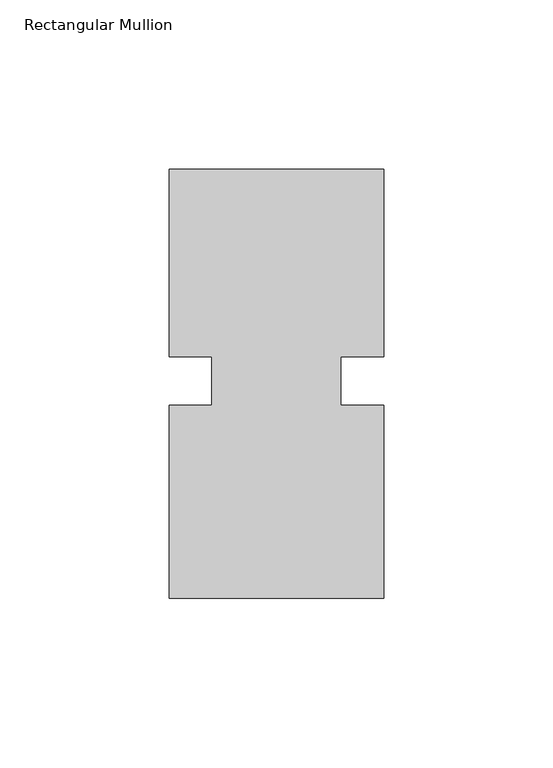
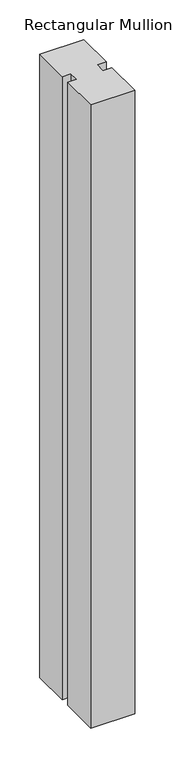
"""IFC4 building model written with IfcOpenShell, lengths in millimetres: member geometry, Rectangular Mullion."""

from ifc_helpers import new_model, si_unit, frame, origin, place, context, project, spatial, polyline, outline, extrude, source, transform, mapped, element, save


def rectangular_mullion_ac06d126(model_context):
    return source(origin(), model_context, "Body", "SweptSolid", [
        extrude(outline(polyline([(36.0844027, 62.70625), (36.0844027, 7.14375), (23.3826322, 7.14375), (23.3826322, -7.14375), (36.0844027, -7.14375), (36.0844027, -64.29375), (-27.4155973, -64.29375), (-27.4155973, -7.14375), (-14.7155973, -7.14375), (-14.7155973, 7.14375), (-27.4155973, 7.14375), (-27.4155973, 62.70625), (36.0844027, 62.70625)])), frame((0.0, 0.0, -952.5), z_axis=(0.0, 0.0, 1.0), x_axis=(1.0, 0.0, 0.0)), (0.0, 0.0, 1.0), 952.5),
    ])


if __name__ == "__main__":
    model = new_model("IFC4")
    model_context = context("Model", 3, world=origin())
    ifc_project = project(units=[si_unit("LENGTHUNIT", "METRE", prefix="MILLI")], contexts=[model_context])
    site = spatial("IfcSite", under=ifc_project)
    building = spatial("IfcBuilding", under=site)
    placement = place(None, origin())
    rectangular_mullion_shape = rectangular_mullion_ac06d126(model_context)
    element("IfcMember", 1, ObjectType="Rectangular Mullion", at=placement, inside=building, context=model_context, shape_type="MappedRepresentation", body=[
        mapped(rectangular_mullion_shape, transform((0.0, 0.0, 0.0), x_axis=(1.0, 0.0, 0.0), y_axis=(0.0, 1.0, 0.0), z_axis=(0.0, 0.0, 1.0))),
    ])
    save(model, "model.ifc")
